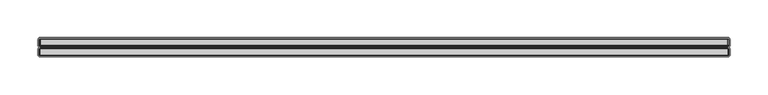
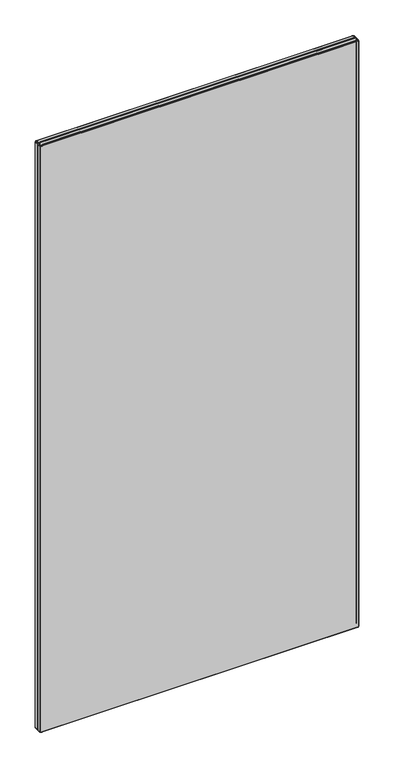
"""IFC4 building model written with IfcOpenShell, lengths in millimetres: furniture geometry."""

from ifc_helpers import new_model, si_unit, origin, place, context, project, spatial, triangles, source, transform, mapped, element, save


def furniture_4f1a5ca2(model_context):
    return source(origin(), model_context, "Body", "Tessellation", [
        triangles([(1906.4522497, 6006.3662629, 207.2580069), (1906.4522497, 5998.1983021, 207.2580069), (1905.3942475, 5998.1983021, 207.964995), (1905.3942475, 6006.3662629, 207.964995), (1907.6992303, 6007.8142849, 1981.3950462), (1907.0702353, 6007.8142849, 1981.2700539), (1906.6752376, 6007.3912003, 1982.2240654), (1907.6992303, 6007.3912003, 1982.42696), (1905.2262345, 6007.3912003, 209.2450041), (1904.6882222, 6006.3662629, 209.0219981), (1904.4392549, 6006.3662629, 210.269996), (1905.0222498, 6007.3912003, 210.269996), (1906.6752376, 6007.3912003, 207.7970002), (1907.0702353, 6007.8142849, 208.7509935), (1907.6992303, 6007.8142849, 208.6260012), (1907.6992303, 6007.3912003, 207.5929974), (2815.1802486, 6006.3662629, 1983.0100639), (1907.6992303, 6006.3662629, 1983.0100639), (1907.6992303, 5998.1983021, 1983.0100639), (2815.1802486, 5998.1983021, 1983.0100639), (2818.4392066, 5998.1983021, 1979.7509605), (2818.4392066, 5998.1983021, 210.269996), (2818.4392066, 6006.3662629, 210.269996), (2818.4392066, 6006.3662629, 1979.7509605), (2816.4272655, 5998.1983021, 1982.7619686), (2816.4272655, 6006.3662629, 1982.7619686), (2817.0733016, 6007.3912003, 1981.6429962), (2816.2041686, 6007.3912003, 1982.2240654), (2817.4851951, 6006.3662629, 1982.0560524), (2815.1802486, 6007.3912003, 1982.42696), (2815.8092799, 6007.8142849, 1981.2700539), (2815.1802486, 6007.8142849, 1981.3950462), (2816.3422416, 6007.8142849, 1980.9129536), (1904.6882222, 6006.3662629, 1980.9979774), (1904.6882222, 5998.1983021, 1980.9979774), (1905.3942475, 5998.1983021, 1982.0560524), (1905.3942475, 6006.3662629, 1982.0560524), (1904.4392549, 5998.1983021, 1979.7509605), (1904.4392549, 6006.3662629, 1979.7509605), (1905.2262345, 6007.3912003, 1980.7750259), (1905.0222498, 6007.3912003, 1979.7509605), (1906.4522497, 6006.3662629, 1982.7619686), (1905.8062499, 6007.3912003, 1981.6429962), (2817.6532081, 6007.3912003, 1980.7750259), (2816.6991965, 6007.8142849, 1980.3799919), (1907.6992303, 6006.3662629, 207.0100024), (1905.8062499, 6007.3912003, 208.3769975), (2818.1912566, 6006.3662629, 1980.9979774), (1906.5372373, 6007.8142849, 209.1070038), (2817.8572654, 6007.3912003, 210.269996), (2817.8572654, 6007.3912003, 1979.7509605), (2818.1912566, 5998.1983021, 209.0219981), (2818.1912566, 6006.3662629, 209.0219981), (2817.4851951, 5998.1983021, 1982.0560524), (2818.1912566, 5998.1983021, 1980.9979774), (1906.0552536, 6007.8142849, 1979.7509605), (1906.0552536, 6007.8142849, 210.269996), (2817.4851951, 6006.3662629, 207.964995), (2817.4851951, 5998.1983021, 207.964995), (1907.6992303, 5998.1983021, 207.0100024), (2816.4272655, 5998.1983021, 207.2580069), (2816.4272655, 6006.3662629, 207.2580069), (2815.1802486, 6006.3662629, 207.0100024), (2815.1802486, 5998.1983021, 207.0100024), (2815.1802486, 6007.3912003, 207.5929974), (2816.2041686, 6007.3912003, 207.7970002), (2817.0733016, 6007.3912003, 208.3769975), (2817.6532081, 6007.3912003, 209.2450041), (2816.6991965, 6007.8142849, 209.6400018), (2816.8241889, 6007.8142849, 210.269996), (2816.3422416, 6007.8142849, 209.1070038), (2815.8092799, 6007.8142849, 208.7509935), (2815.1802486, 6007.8142849, 208.6260012), (1906.180246, 6007.8142849, 209.6400018), (2816.8241889, 6007.8142849, 1979.7509605), (1906.5372373, 6007.8142849, 1980.9129536), (1906.4522497, 5998.1983021, 1982.7619686), (1906.180246, 6007.8142849, 1980.3799919), (1904.4392549, 5998.1983021, 210.269996), (1904.6882222, 5998.1983021, 209.0219981), (1907.6992303, 6006.3662629, 1982.8680668), (1907.6992303, 5997.1732193, 1982.42696), (1907.6992303, 5996.75028, 1981.3950462), (2815.1802486, 5996.75028, 1981.3950462), (2815.1802486, 5997.1732193, 1982.42696), (1906.5242294, 5995.8001927, 1979.6560535), (1907.7942463, 5995.8001927, 1980.9260342), (1907.3082295, 5995.8001927, 1980.8289471), (1906.6212438, 5995.8001927, 1980.1420704), (2815.8092799, 5996.75028, 1981.2700539), (2816.2041686, 5997.1732193, 1982.2240654), (2815.1802486, 6009.1873116, 1981.3950462), (1907.6992303, 6009.1873116, 1981.3950462), (1906.0552536, 6009.1873116, 210.269996), (1906.180246, 6009.1873116, 209.6400018), (2817.6532081, 5997.1732193, 1980.7750259), (2817.0733016, 5997.1732193, 1981.6429962), (1906.180246, 6009.1873116, 1980.3799919), (1906.0552536, 6009.1873116, 1979.7509605), (2816.8241889, 6009.1873116, 1979.7509605), (2816.6991965, 6009.1873116, 1980.3799919), (1907.0702353, 6009.1873116, 1981.2700539), (1906.5372373, 6009.1873116, 1980.9129536), (2815.5712131, 5995.8001927, 1980.8289471), (2815.0851962, 5995.8001927, 1980.9260342), (2816.3551768, 5995.8001927, 1979.6560535), (2816.2582351, 5995.8001927, 1980.1420704), (1906.6212438, 5995.8001927, 209.8789952), (1906.896227, 5995.8001927, 209.4669927), (1907.3082295, 5995.8001927, 209.1909921), (1906.5242294, 5995.8001927, 210.3649939), (2816.3551768, 5995.8001927, 210.3649939), (2816.2582351, 5995.8001927, 209.8789952), (2815.0851962, 5995.8001927, 209.0949951), (2815.5712131, 5995.8001927, 209.1909921), (1907.7942463, 5995.8001927, 209.0949951), (2815.8092799, 6009.1873116, 1981.2700539), (2816.3422416, 6009.1873116, 1980.9129536), (2815.8092799, 6009.1873116, 208.7509935), (2815.1802486, 6009.1873116, 208.6260012), (2815.9832519, 5995.8001927, 209.4669927), (1907.6992303, 6009.1873116, 208.6260012), (1907.0702353, 6009.1873116, 208.7509935), (1906.5372373, 6009.1873116, 209.1070038), (2816.3422416, 6009.1873116, 209.1070038), (1906.896227, 5995.8001927, 1980.5539639), (2816.8241889, 6009.1873116, 210.269996), (2815.9832519, 5995.8001927, 1980.5539639), (2816.6991965, 6009.1873116, 209.6400018), (2817.8572654, 5997.1732193, 1979.7509605), (1905.0222498, 5997.1732193, 210.269996), (1906.0552536, 5996.75028, 210.269996), (1906.0552536, 5996.75028, 1979.7509605), (1905.0222498, 5997.1732193, 1979.7509605), (2817.6532081, 5997.1732193, 209.2450041), (2816.6991965, 5996.75028, 209.6400018), (2816.3422416, 5996.75028, 209.1070038), (2817.0733016, 5997.1732193, 208.3769975), (1906.6752376, 5997.1732193, 207.7970002), (1905.8062499, 5997.1732193, 208.3769975), (1907.6992303, 5997.1732193, 207.5929974), (1907.0702353, 5996.75028, 208.7509935), (1906.5372373, 5996.75028, 209.1070038), (1906.180246, 5996.75028, 209.6400018), (1905.2262345, 5997.1732193, 209.2450041), (2817.8572654, 5997.1732193, 210.269996), (2815.1802486, 5997.1732193, 207.5929974), (2816.2041686, 5997.1732193, 207.7970002), (2816.8241889, 5996.75028, 210.269996), (2815.8092799, 5996.75028, 208.7509935), (1907.6992303, 5996.75028, 208.6260012), (1906.180246, 5996.75028, 1980.3799919), (1906.5372373, 5996.75028, 1980.9129536), (1905.8062499, 5997.1732193, 1981.6429962), (1905.2262345, 5997.1732193, 1980.7750259), (1907.0702353, 5996.75028, 1981.2700539), (2816.3422416, 5996.75028, 1980.9129536), (2816.6991965, 5996.75028, 1980.3799919), (2815.1802486, 5996.75028, 208.6260012), (2816.8241889, 5996.75028, 1979.7509605), (1906.6752376, 5997.1732193, 1982.2240654), (1907.6992303, 6009.6092335, 1982.42696), (1907.6992303, 6010.6343163, 1983.0100639), (1906.4522497, 6010.6343163, 1982.7619686), (1906.6752376, 6009.6092335, 1982.2240654), (2817.4851951, 6018.8032944, 207.964995), (2818.1912566, 6018.8032944, 209.0219981), (2818.1912566, 6010.6343163, 209.0219981), (2817.4851951, 6010.6343163, 207.964995), (2816.2041686, 6009.6092335, 207.7970002), (2816.4272655, 6010.6343163, 207.2580069), (2817.0733016, 6009.6092335, 208.3769975), (2818.1912566, 6010.6343163, 1980.9979774), (2818.1912566, 6018.8032944, 1980.9979774), (2817.4851951, 6018.8032944, 1982.0560524), (2817.4851951, 6010.6343163, 1982.0560524), (2817.6532081, 6009.6092335, 209.2450041), (2817.8572654, 6009.6092335, 210.269996), (1907.6992303, 6010.6343163, 207.0100024), (1906.4522497, 6010.6343163, 207.2580069), (1906.4522497, 6018.8032944, 207.2580069), (1907.6992303, 6018.8032944, 207.0100024), (2815.1802486, 6018.8032944, 207.0100024), (2816.4272655, 6018.8032944, 207.2580069), (2815.1802486, 6010.6343163, 207.0100024), (2817.6532081, 6009.6092335, 1980.7750259), (2817.0733016, 6009.6092335, 1981.6429962), (2818.4392066, 6010.6343163, 1979.7509605), (2817.8572654, 6009.6092335, 1979.7509605), (1905.3942475, 6010.6343163, 1982.0560524), (1906.4522497, 6018.8032944, 1982.7619686), (1905.3942475, 6018.8032944, 1982.0560524), (1905.8062499, 6009.6092335, 208.3769975), (1905.2262345, 6009.6092335, 209.2450041), (1904.6882222, 6010.6343163, 209.0219981), (1905.3942475, 6010.6343163, 207.964995), (1907.6992303, 6009.6092335, 207.5929974), (1906.6752376, 6009.6092335, 207.7970002), (2818.4392066, 6010.6343163, 210.269996), (2818.4392066, 6018.8032944, 210.269996), (2818.4392066, 6018.8032944, 1979.7509605), (1905.3942475, 6018.8032944, 207.964995), (1907.6992303, 6018.8032944, 1983.0100639), (2816.2041686, 6009.6092335, 1982.2240654), (2816.4272655, 6010.6343163, 1982.7619686), (2815.1802486, 6010.6343163, 1983.0100639), (2815.1802486, 6009.6092335, 1982.42696), (1905.8062499, 6009.6092335, 1981.6429962), (1904.6882222, 6010.6343163, 1980.9979774), (1905.2262345, 6009.6092335, 1980.7750259), (1905.0222498, 6009.6092335, 210.269996), (2815.1802486, 6009.6092335, 207.5929974), (2816.4272655, 6018.8032944, 1982.7619686), (2815.1802486, 6018.8032944, 1983.0100639), (1904.4392549, 6010.6343163, 1979.7509605), (1904.6882222, 6018.8032944, 1980.9979774), (1904.4392549, 6018.8032944, 1979.7509605), (1904.4392549, 6010.6343163, 210.269996), (1905.0222498, 6009.6092335, 1979.7509605), (1907.6992303, 6010.6343163, 1982.8680668), (1904.4392549, 6018.8032944, 210.269996), (1904.6882222, 6018.8032944, 209.0219981), (1905.2262345, 6019.8282319, 1980.7750259), (1905.8062499, 6019.8282319, 1981.6429962), (1907.6992303, 6020.2502991, 1981.3950462), (1907.0702353, 6020.2502991, 1981.2700539), (1906.6752376, 6019.8282319, 1982.2240654), (1907.6992303, 6019.8282319, 1982.42696), (1906.5372373, 6020.2502991, 1980.9129536), (1906.180246, 6020.2502991, 1980.3799919), (1906.0552536, 6020.2502991, 1979.7509605), (1905.0222498, 6019.8282319, 1979.7509605), (1906.0552536, 6020.2502991, 210.269996), (1905.0222498, 6019.8282319, 210.269996), (1906.6752376, 6019.8282319, 207.7970002), (1905.8062499, 6019.8282319, 208.3769975), (1906.6212438, 6021.2002411, 209.8789952), (1907.3082295, 6021.2002411, 209.1909921), (1906.896227, 6021.2002411, 209.4669927), (1906.5242294, 6021.2002411, 1979.6560535), (1907.7942463, 6021.2002411, 1980.9260342), (2815.0851962, 6021.2002411, 1980.9260342), (2816.3551768, 6021.2002411, 1979.6560535), (2817.0733016, 6019.8282319, 1981.6429962), (2816.3422416, 6020.2502991, 1980.9129536), (2815.8092799, 6020.2502991, 1981.2700539), (2816.2041686, 6019.8282319, 1982.2240654), (1905.2262345, 6019.8282319, 209.2450041), (1906.6212438, 6021.2002411, 1980.1420704), (1907.3082295, 6021.2002411, 1980.8289471), (2815.5712131, 6021.2002411, 209.1909921), (2816.2582351, 6021.2002411, 209.8789952), (2815.9832519, 6021.2002411, 209.4669927), (2815.1802486, 6019.8282319, 1982.42696), (2817.6532081, 6019.8282319, 1980.7750259), (2816.6991965, 6020.2502991, 1980.3799919), (2816.3551768, 6021.2002411, 210.3649939), (1906.5242294, 6021.2002411, 210.3649939), (1907.6992303, 6019.8282319, 207.5929974), (1906.180246, 6020.2502991, 209.6400018), (2815.5712131, 6021.2002411, 1980.8289471), (2815.9832519, 6021.2002411, 1980.5539639), (2816.2582351, 6021.2002411, 1980.1420704), (2817.8572654, 6019.8282319, 1979.7509605), (1906.5372373, 6020.2502991, 209.1070038), (1906.896227, 6021.2002411, 1980.5539639), (1907.0702353, 6020.2502991, 208.7509935), (1907.6992303, 6020.2502991, 208.6260012), (2816.8241889, 6020.2502991, 1979.7509605), (1907.7942463, 6021.2002411, 209.0949951), (2815.1802486, 6020.2502991, 1981.3950462), (2815.0851962, 6021.2002411, 209.0949951), (2817.8572654, 6019.8282319, 210.269996), (2816.8241889, 6020.2502991, 210.269996), (2815.1802486, 6020.2502991, 208.6260012), (2815.1802486, 6019.8282319, 207.5929974), (2816.3422416, 6020.2502991, 209.1070038), (2815.8092799, 6020.2502991, 208.7509935), (2816.6991965, 6020.2502991, 209.6400018), (2817.0733016, 6019.8282319, 208.3769975), (2816.2041686, 6019.8282319, 207.7970002), (2817.6532081, 6019.8282319, 209.2450041)], [[1, 2, 3], [1, 3, 4], [5, 6, 7], [5, 7, 8], [9, 10, 11], [9, 11, 12], [13, 14, 15], [13, 15, 16], [17, 18, 19], [17, 19, 20], [21, 22, 23], [21, 23, 24], [17, 20, 25], [17, 25, 26], [27, 28, 26], [27, 26, 29], [30, 17, 26], [30, 26, 28], [30, 28, 31], [30, 31, 32], [27, 33, 31], [27, 31, 28], [34, 35, 36], [34, 36, 37], [38, 35, 34], [38, 34, 39], [39, 34, 40], [39, 40, 41], [37, 42, 7], [37, 7, 43], [27, 44, 45], [27, 45, 33], [40, 34, 37], [40, 37, 43], [7, 42, 18], [7, 18, 8], [46, 1, 13], [46, 13, 16], [4, 10, 9], [4, 9, 47], [27, 29, 48], [27, 48, 44], [49, 14, 13], [49, 13, 47], [24, 23, 50], [24, 50, 51], [23, 22, 52], [23, 52, 53], [13, 1, 4], [13, 4, 47], [29, 54, 55], [29, 55, 48], [41, 56, 57], [41, 57, 12], [58, 53, 52], [58, 52, 59], [60, 2, 1], [60, 1, 46], [58, 59, 61], [58, 61, 62], [63, 62, 61], [63, 61, 64], [65, 66, 62], [65, 62, 63], [67, 58, 62], [67, 62, 66], [67, 68, 53], [67, 53, 58], [50, 23, 53], [50, 53, 68], [50, 68, 69], [50, 69, 70], [67, 71, 69], [67, 69, 68], [67, 66, 72], [67, 72, 71], [65, 73, 72], [65, 72, 66], [64, 60, 46], [64, 46, 63], [9, 74, 49], [9, 49, 47], [50, 70, 75], [50, 75, 51], [7, 6, 76], [7, 76, 43], [57, 74, 9], [57, 9, 12], [29, 26, 25], [29, 25, 54], [36, 77, 42], [36, 42, 37], [24, 48, 55], [24, 55, 21], [51, 75, 45], [51, 45, 44], [76, 78, 40], [76, 40, 43], [30, 32, 5], [30, 5, 8], [40, 78, 56], [40, 56, 41], [39, 11, 79], [39, 79, 38], [41, 12, 11], [41, 11, 39], [3, 80, 10], [3, 10, 4], [10, 80, 79], [10, 79, 11], [42, 77, 19], [42, 19, 18], [51, 44, 48], [51, 48, 24], [30, 8, 81], [30, 81, 17], [82, 83, 84], [82, 84, 85], [58, 62, 66], [58, 66, 67], [16, 13, 14], [16, 14, 15], [47, 49, 14], [47, 14, 13], [86, 87, 88], [86, 88, 89], [84, 90, 91], [84, 91, 85], [92, 93, 5], [92, 5, 32], [94, 95, 74], [94, 74, 57], [96, 55, 54], [96, 54, 97], [98, 99, 56], [98, 56, 78], [100, 101, 45], [100, 45, 75], [47, 9, 74], [47, 74, 49], [68, 69, 70], [68, 70, 50], [16, 15, 73], [16, 73, 65], [4, 3, 80], [4, 80, 10], [102, 103, 76], [102, 76, 6], [16, 46, 1], [16, 1, 13], [106, 104, 105], [104, 106, 107], [108, 109, 110], [106, 105, 87], [106, 87, 86], [73, 72, 66], [73, 66, 65], [46, 60, 2], [46, 2, 1], [47, 4, 10], [47, 10, 9], [106, 86, 111], [106, 111, 112], [114, 113, 112], [113, 114, 115], [111, 116, 114], [111, 114, 112], [68, 53, 58], [68, 58, 67], [102, 6, 5], [102, 5, 93], [92, 32, 31], [92, 31, 117], [118, 33, 45], [118, 45, 101], [119, 72, 73], [119, 73, 120], [115, 121, 113], [122, 15, 14], [122, 14, 123], [71, 69, 68], [71, 68, 67], [124, 123, 14], [124, 14, 49], [119, 125, 71], [119, 71, 72], [53, 52, 59], [53, 59, 58], [66, 72, 71], [66, 71, 67], [124, 49, 74], [124, 74, 95], [94, 57, 56], [94, 56, 99], [91, 25, 20], [91, 20, 85], [20, 19, 82], [20, 82, 85], [22, 52, 53], [22, 53, 23], [118, 117, 31], [118, 31, 33], [108, 110, 116], [111, 108, 116], [89, 88, 126], [23, 53, 68], [23, 68, 50], [59, 61, 62], [59, 62, 58], [62, 61, 64], [62, 64, 63], [63, 46, 16], [63, 16, 65], [11, 10, 80], [11, 80, 79], [98, 78, 76], [98, 76, 103], [100, 75, 70], [100, 70, 127], [104, 107, 128], [47, 13, 1], [47, 1, 4], [129, 127, 70], [129, 70, 69], [12, 57, 74], [12, 74, 9], [4, 1, 2], [4, 2, 3], [129, 69, 71], [129, 71, 125], [122, 120, 73], [122, 73, 15], [21, 55, 96], [21, 96, 130], [54, 25, 91], [54, 91, 97], [12, 9, 10], [12, 10, 11], [66, 62, 63], [66, 63, 65], [131, 132, 133], [131, 133, 134], [135, 136, 137], [135, 137, 138], [3, 2, 139], [3, 139, 140], [139, 2, 60], [139, 60, 141], [139, 142, 143], [139, 143, 140], [143, 144, 145], [143, 145, 140], [140, 3, 2], [140, 2, 139], [140, 145, 80], [140, 80, 3], [146, 135, 52], [146, 52, 22], [147, 64, 61], [147, 61, 148], [149, 136, 135], [149, 135, 146], [140, 143, 144], [140, 144, 145], [138, 137, 150], [138, 150, 148], [151, 142, 139], [151, 139, 141], [145, 144, 132], [145, 132, 131], [152, 89, 126], [152, 126, 153], [131, 79, 80], [131, 80, 145], [141, 151, 142], [141, 142, 139], [138, 59, 52], [138, 52, 135], [59, 52, 135], [59, 135, 138], [152, 133, 86], [152, 86, 89], [137, 150, 148], [137, 148, 138], [154, 155, 152], [154, 152, 153], [156, 153, 126], [156, 126, 88], [91, 90, 157], [91, 157, 97], [156, 88, 87], [156, 87, 83], [64, 61, 148], [64, 148, 147], [38, 79, 131], [38, 131, 134], [135, 52, 22], [135, 22, 146], [138, 148, 61], [138, 61, 59], [84, 83, 87], [84, 87, 105], [84, 105, 104], [84, 104, 90], [157, 90, 104], [157, 104, 128], [157, 128, 107], [157, 107, 158], [147, 159, 151], [147, 151, 141], [130, 160, 149], [130, 149, 146], [160, 158, 107], [160, 107, 106], [132, 111, 86], [132, 86, 133], [111, 132, 144], [111, 144, 108], [109, 108, 144], [109, 144, 143], [109, 143, 142], [109, 142, 110], [116, 110, 142], [116, 142, 151], [159, 114, 116], [159, 116, 151], [140, 139, 142], [140, 142, 143], [130, 146, 22], [130, 22, 21], [148, 61, 59], [148, 59, 138], [134, 155, 35], [134, 35, 38], [154, 153, 156], [154, 156, 161], [154, 36, 35], [154, 35, 155], [154, 161, 77], [154, 77, 36], [82, 19, 77], [82, 77, 161], [131, 145, 144], [131, 144, 132], [96, 158, 160], [96, 160, 130], [148, 150, 159], [148, 159, 147], [157, 158, 96], [157, 96, 97], [141, 139, 2], [141, 2, 60], [82, 161, 156], [82, 156, 83], [147, 141, 60], [147, 60, 64], [147, 148, 150], [147, 150, 159], [138, 135, 136], [138, 136, 137], [134, 133, 152], [134, 152, 155], [146, 149, 136], [146, 136, 135], [79, 80, 145], [79, 145, 131], [145, 80, 3], [145, 3, 140], [162, 163, 164], [162, 164, 165], [166, 167, 168], [166, 168, 169], [170, 171, 169], [170, 169, 172], [173, 174, 175], [173, 175, 176], [127, 129, 177], [127, 177, 178], [177, 129, 125], [177, 125, 172], [179, 180, 181], [179, 181, 182], [183, 184, 171], [183, 171, 185], [112, 113, 136], [112, 136, 149], [186, 173, 176], [186, 176, 187], [188, 173, 186], [188, 186, 189], [190, 164, 191], [190, 191, 192], [193, 194, 195], [193, 195, 196], [197, 122, 123], [197, 123, 198], [114, 159, 150], [114, 150, 115], [118, 101, 186], [118, 186, 187], [188, 199, 200], [188, 200, 201], [171, 184, 166], [171, 166, 169], [177, 168, 199], [177, 199, 178], [125, 119, 170], [125, 170, 172], [185, 179, 182], [185, 182, 183], [168, 167, 200], [168, 200, 199], [196, 202, 181], [196, 181, 180], [121, 137, 136], [121, 136, 113], [163, 203, 191], [163, 191, 164], [169, 168, 177], [169, 177, 172], [193, 198, 123], [193, 123, 124], [204, 205, 206], [204, 206, 207], [208, 190, 209], [208, 209, 210], [211, 194, 95], [211, 95, 94], [185, 171, 170], [185, 170, 212], [170, 119, 120], [170, 120, 212], [185, 183, 184], [185, 184, 171], [205, 213, 214], [205, 214, 206], [215, 209, 216], [215, 216, 217], [215, 218, 211], [215, 211, 219], [197, 198, 180], [197, 180, 179], [193, 124, 95], [193, 95, 194], [206, 220, 162], [206, 162, 207], [219, 99, 98], [219, 98, 210], [189, 100, 127], [189, 127, 178], [201, 174, 173], [201, 173, 188], [162, 165, 102], [162, 102, 93], [160, 106, 112], [160, 112, 149], [204, 117, 118], [204, 118, 187], [121, 115, 150], [121, 150, 137], [92, 117, 204], [92, 204, 207], [186, 101, 100], [186, 100, 189], [208, 103, 102], [208, 102, 165], [176, 205, 204], [176, 204, 187], [214, 203, 163], [214, 163, 206], [190, 192, 216], [190, 216, 209], [208, 165, 164], [208, 164, 190], [208, 210, 98], [208, 98, 103], [217, 221, 218], [217, 218, 215], [211, 94, 99], [211, 99, 219], [218, 221, 222], [218, 222, 195], [196, 195, 222], [196, 222, 202], [193, 196, 180], [193, 180, 198], [211, 218, 195], [211, 195, 194], [175, 213, 205], [175, 205, 176], [219, 210, 209], [219, 209, 215], [162, 93, 92], [162, 92, 207], [189, 178, 199], [189, 199, 188], [223, 216, 192], [223, 192, 224], [225, 226, 227], [225, 227, 228], [229, 230, 223], [229, 223, 224], [202, 181, 180], [202, 180, 196], [212, 185, 171], [212, 171, 170], [218, 195, 194], [218, 194, 211], [223, 230, 231], [223, 231, 232], [172, 170, 171], [172, 171, 169], [195, 222, 202], [195, 202, 196], [232, 231, 233], [232, 233, 234], [235, 181, 202], [235, 202, 236], [237, 238, 239], [240, 241, 242], [240, 242, 243], [244, 245, 246], [244, 246, 247], [202, 222, 248], [202, 248, 236], [180, 181, 182], [180, 182, 179], [249, 250, 241], [240, 249, 241], [251, 252, 253], [244, 247, 213], [244, 213, 175], [254, 214, 213], [254, 213, 247], [244, 255, 256], [244, 256, 245], [257, 258, 240], [257, 240, 243], [254, 228, 203], [254, 203, 214], [192, 191, 227], [192, 227, 224], [244, 175, 174], [244, 174, 255], [232, 234, 221], [232, 221, 217], [248, 222, 221], [248, 221, 234], [182, 181, 235], [182, 235, 259], [233, 260, 248], [233, 248, 234], [178, 127, 129], [178, 129, 177], [261, 262, 263], [264, 255, 174], [264, 174, 201], [248, 260, 265], [248, 265, 236], [249, 266, 250], [265, 267, 235], [265, 235, 236], [235, 267, 268], [235, 268, 259], [212, 170, 119], [212, 119, 120], [172, 169, 168], [172, 168, 177], [221, 222, 195], [221, 195, 218], [198, 180, 179], [198, 179, 197], [124, 95, 194], [124, 194, 193], [264, 269, 256], [264, 256, 255], [172, 125, 119], [172, 119, 170], [122, 123, 198], [122, 198, 197], [194, 95, 94], [194, 94, 211], [227, 191, 203], [227, 203, 228], [227, 226, 229], [227, 229, 224], [212, 120, 122], [212, 122, 197], [212, 197, 179], [212, 179, 185], [169, 171, 184], [169, 184, 166], [194, 195, 196], [194, 196, 193], [169, 166, 167], [169, 167, 168], [196, 180, 198], [196, 198, 193], [258, 270, 238], [258, 238, 237], [254, 247, 246], [254, 246, 271], [217, 216, 223], [217, 223, 232], [172, 177, 129], [172, 129, 125], [198, 123, 124], [198, 124, 193], [178, 177, 168], [178, 168, 199], [242, 263, 243], [263, 242, 261], [257, 251, 272], [251, 257, 252], [199, 168, 167], [199, 167, 200], [257, 272, 270], [257, 270, 258], [254, 271, 225], [254, 225, 228], [237, 260, 233], [237, 233, 258], [273, 274, 269], [273, 269, 264], [259, 268, 275], [259, 275, 276], [236, 265, 267], [236, 267, 235], [268, 267, 238], [268, 238, 270], [277, 278, 251], [277, 251, 253], [252, 279, 277], [252, 277, 253], [280, 166, 184], [280, 184, 281], [277, 279, 282], [277, 282, 280], [259, 235, 267], [259, 267, 268], [280, 277, 279], [280, 279, 282], [249, 240, 231], [249, 231, 230], [231, 240, 258], [231, 258, 233], [274, 279, 252], [274, 252, 257], [280, 281, 278], [280, 278, 277], [282, 279, 274], [282, 274, 273], [200, 167, 282], [200, 282, 273], [276, 275, 278], [276, 278, 281], [236, 248, 260], [236, 260, 265], [273, 282, 279], [273, 279, 274], [225, 241, 250], [225, 250, 226], [242, 241, 225], [271, 242, 225], [234, 233, 260], [234, 260, 248], [273, 200, 167], [273, 167, 282], [282, 167, 166], [282, 166, 280], [229, 266, 249], [229, 249, 230], [250, 266, 229], [250, 229, 226], [243, 263, 256], [243, 256, 269], [268, 270, 272], [268, 272, 275], [274, 257, 243], [274, 243, 269], [234, 248, 222], [234, 222, 221], [166, 184, 281], [166, 281, 280], [183, 182, 259], [183, 259, 276], [276, 281, 184], [276, 184, 183], [251, 278, 275], [251, 275, 272], [265, 260, 237], [265, 237, 239], [259, 182, 181], [259, 181, 235], [281, 278, 277], [281, 277, 280], [256, 263, 262], [256, 262, 245], [236, 202, 222], [236, 222, 248], [262, 261, 246], [262, 246, 245], [281, 184, 183], [281, 183, 276], [238, 267, 265], [238, 265, 239], [236, 235, 181], [236, 181, 202], [201, 200, 273], [201, 273, 264], [246, 261, 242], [246, 242, 271], [280, 282, 167], [280, 167, 166], [275, 278, 281], [275, 281, 276]], closed=False),
    ])


if __name__ == "__main__":
    model = new_model("IFC4")
    model_context = context("Model", 3, world=origin())
    ifc_project = project(units=[si_unit("LENGTHUNIT", "METRE", prefix="MILLI")], contexts=[model_context])
    site = spatial("IfcSite", under=ifc_project)
    building = spatial("IfcBuilding", under=site)
    placement = place(None, origin())
    furniture_shape = furniture_4f1a5ca2(model_context)
    element("IfcFurniture", 1, at=placement, inside=building, context=model_context, shape_type="MappedRepresentation", body=[
        mapped(furniture_shape, transform((0.0, 0.0, 0.0), x_axis=(1.0, 0.0, 0.0), y_axis=(0.0, 1.0, 0.0), z_axis=(0.0, 0.0, 1.0))),
    ])
    save(model, "model.ifc")
